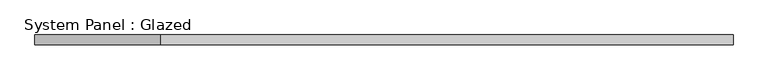
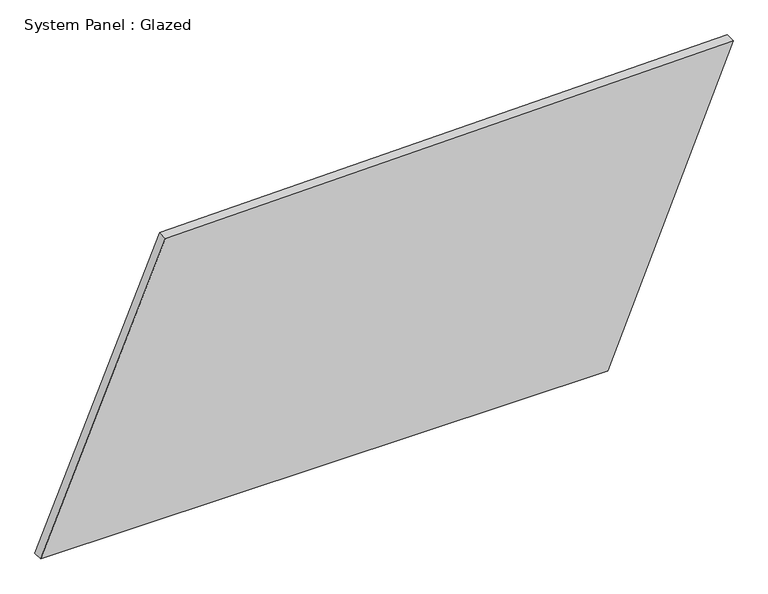
"""IFC4 building model written with IfcOpenShell, lengths in millimetres: plate geometry, System Panel : Glazed."""

from ifc_helpers import new_model, si_unit, frame, origin, place, context, project, spatial, polyline, outline, extrude, source, transform, mapped, element, save


def system_panel_glazed_7d5d1800(model_context):
    return source(origin(), model_context, "Body", "SweptSolid", [
        extrude(outline(polyline([(0.0, -875.5730077), (0.0, 559.0001132), (773.6674202, 875.5730077), (747.1186714, -560.085777), (0.0, -875.5730077)])), frame((0.0, -49.5, 0.0), z_axis=(0.0, 1.0, 0.0), x_axis=(0.0, 0.0, 1.0)), (0.0, 0.0, 1.0), 25.0),
    ])


if __name__ == "__main__":
    model = new_model("IFC4")
    model_context = context("Model", 3, world=origin())
    ifc_project = project(units=[si_unit("LENGTHUNIT", "METRE", prefix="MILLI")], contexts=[model_context])
    site = spatial("IfcSite", under=ifc_project)
    building = spatial("IfcBuilding", under=site)
    placement = place(None, origin())
    system_panel_glazed_shape = system_panel_glazed_7d5d1800(model_context)
    element("IfcPlate", 1, ObjectType="System Panel : Glazed", at=placement, inside=building, context=model_context, shape_type="MappedRepresentation", body=[
        mapped(system_panel_glazed_shape, transform((0.0, 0.0, 0.0), x_axis=(1.0, 0.0, 0.0), y_axis=(0.0, 1.0, 0.0), z_axis=(0.0, 0.0, 1.0))),
    ])
    save(model, "model.ifc")
